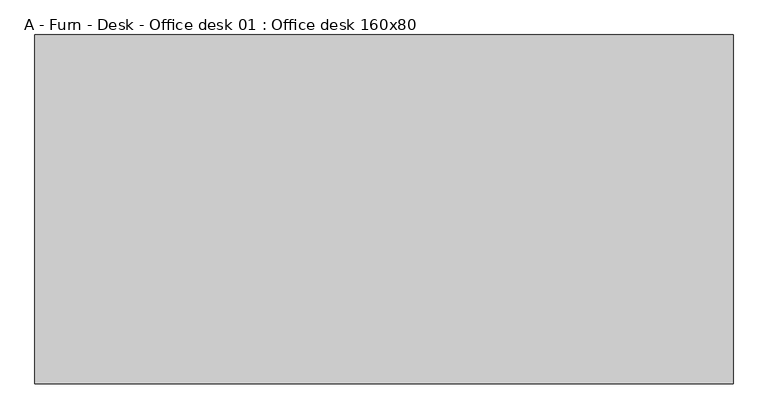
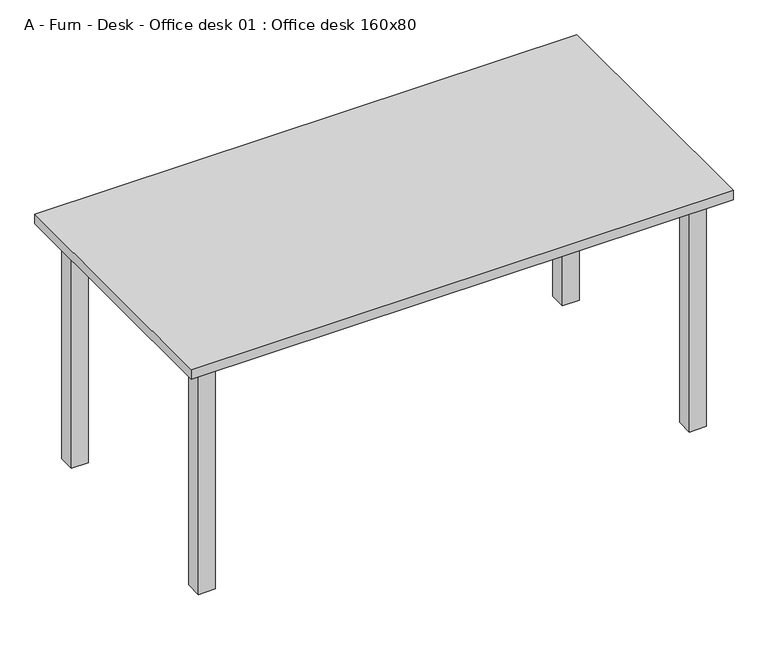
"""IFC4 building model written with IfcOpenShell, lengths in millimetres: furniture geometry, A - Furn - Desk - Office desk 01 : Office desk 160x80."""

from ifc_helpers import new_model, si_unit, frame, origin, origin_with_axes, place, context, project, spatial, polyline, outline, extrude, source, transform, mapped, element, save


def a_furn_desk_office_desk_01_office_desk_160x80_fb7b9464(model_context):
    return source(origin(), model_context, "Body", "SweptSolid", [
        extrude(outline(polyline([(700.0, -350.0), (700.0, -300.0), (750.0, -300.0), (750.0, -350.0), (700.0, -350.0)])), origin_with_axes(), (0.0, 0.0, 1.0), 720.0),
        extrude(outline(polyline([(700.0, 350.0), (750.0, 350.0), (750.0, 300.0), (700.0, 300.0), (700.0, 350.0)])), origin_with_axes(), (0.0, 0.0, 1.0), 720.0),
        extrude(outline(polyline([(-700.0, -350.0), (-750.0, -350.0), (-750.0, -300.0), (-700.0, -300.0), (-700.0, -350.0)])), origin_with_axes(), (0.0, 0.0, 1.0), 720.0),
        extrude(outline(polyline([(-700.0, 350.0), (-700.0, 300.0), (-750.0, 300.0), (-750.0, 350.0), (-700.0, 350.0)])), origin_with_axes(), (0.0, 0.0, 1.0), 720.0),
        extrude(outline(polyline([(800.0, 400.0), (800.0, -400.0), (-800.0, -400.0), (-800.0, 400.0), (800.0, 400.0)])), frame((0.0, 0.0, 720.0), z_axis=(0.0, 0.0, 1.0), x_axis=(1.0, 0.0, 0.0)), (0.0, 0.0, 1.0), 30.0),
    ])


if __name__ == "__main__":
    model = new_model("IFC4")
    model_context = context("Model", 3, world=origin())
    ifc_project = project(units=[si_unit("LENGTHUNIT", "METRE", prefix="MILLI")], contexts=[model_context])
    site = spatial("IfcSite", under=ifc_project)
    building = spatial("IfcBuilding", under=site)
    placement = place(None, origin())
    a_furn_desk_office_desk_01_office_desk_160x80_shape = a_furn_desk_office_desk_01_office_desk_160x80_fb7b9464(model_context)
    element("IfcFurniture", 1, ObjectType="A - Furn - Desk - Office desk 01 : Office desk 160x80", at=placement, inside=building, context=model_context, shape_type="MappedRepresentation", body=[
        mapped(a_furn_desk_office_desk_01_office_desk_160x80_shape, transform((0.0, 0.0, 0.0), x_axis=(1.0, 0.0, 0.0), y_axis=(0.0, 1.0, 0.0), z_axis=(0.0, 0.0, 1.0))),
    ])
    save(model, "model.ifc")
